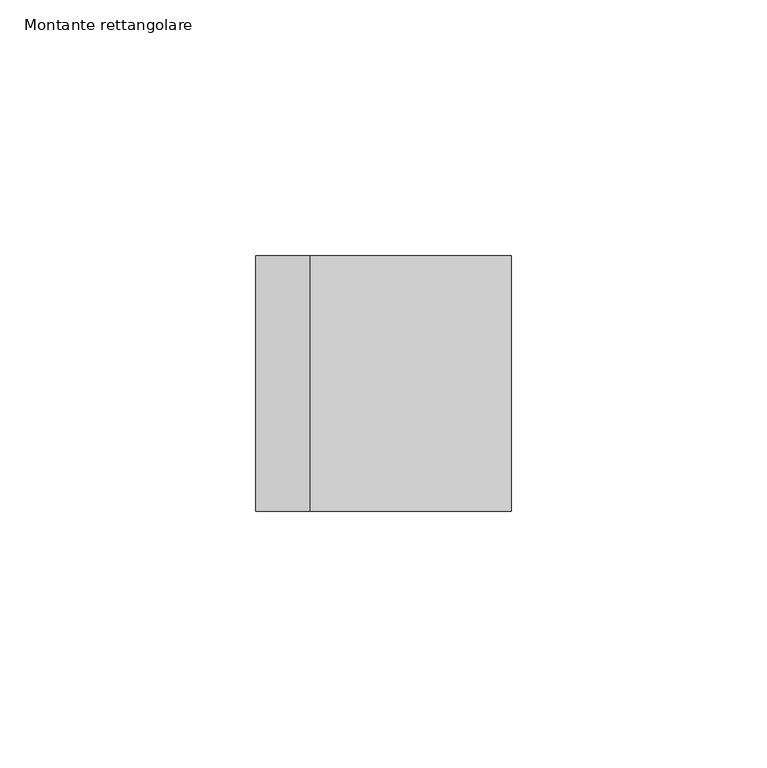
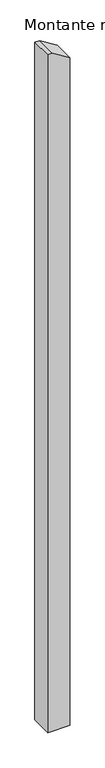
"""IFC4 building model written with IfcOpenShell, lengths in millimetres: member geometry, Montante rettangolare."""

import ifcopenshell
import ifcopenshell.guid

model = None  # the IFC model being written
_history = None  # IfcOwnerHistory: only IFC2X3 demands one
_inside = {}  # id of a spatial element -> (the spatial element, [elements in it])
_under = {}  # id of a project, library or spatial element -> (it, [spatial elements below it])
_declared = {}  # id of a project -> (the project, [libraries it declares])
_typed = {}  # id of a type object -> (the type object, [elements of that type])
_made_of = {}  # id of a material, layer set ... -> (it, [elements and type objects made of it])


def new_model(schema):
    """Start an empty IFC model of exactly this schema.

    Asked for "IFC4X3", IfcOpenShell would pick the latest addendum, in which some entities
    have other attributes; the version numbers below select the first issue.
    IFC2X3 requires an IfcOwnerHistory on every rooted entity: one is made here for all.
    """
    global model, _history
    if schema == "IFC4X3":
        model = ifcopenshell.file(schema_version=(4, 3, 0, 0))
    else:
        model = ifcopenshell.file(schema=schema)
    _inside.clear()
    _under.clear()
    _declared.clear()
    _typed.clear()
    _made_of.clear()
    _history = None
    if model.schema == "IFC2X3":
        org = make("IfcOrganization", Name="unknown")
        user = make(
            "IfcPersonAndOrganization",
            ThePerson=make("IfcPerson", FamilyName="unknown"),
            TheOrganization=org,
        )
        app = make(
            "IfcApplication",
            ApplicationDeveloper=org,
            Version="unknown",
            ApplicationFullName="unknown",
            ApplicationIdentifier="unknown",
        )
        _history = make(
            "IfcOwnerHistory",
            OwningUser=user,
            OwningApplication=app,
            ChangeAction="ADDED",
            CreationDate=0,
        )
    return model


def make(cls, **values):
    """One entity of the class cls with the attributes given. An attribute that is None is left unset."""
    return model.create_entity(
        cls, **{name: value for name, value in values.items() if value is not None}
    )


def rooted(cls, **values):
    """An entity with a GlobalId (a new one), such as an element, a storey or a relation."""
    return make(cls, GlobalId=ifcopenshell.guid.new(), OwnerHistory=_history, **values)


def si_unit(unit_type, name, prefix=None):
    """IfcSIUnit, for example si_unit("LENGTHUNIT", "METRE", prefix="MILLI")."""
    return make("IfcSIUnit", UnitType=unit_type, Prefix=prefix, Name=name)


def assignment(units):
    """IfcUnitAssignment: the units of a project."""
    return None if units is None else make("IfcUnitAssignment", Units=units)


def point(xyz):
    """IfcCartesianPoint."""
    return None if xyz is None else make("IfcCartesianPoint", Coordinates=xyz)


def direction(xyz):
    """IfcDirection."""
    return None if xyz is None else make("IfcDirection", DirectionRatios=xyz)


def frame(location, z_axis=None, x_axis=None):
    """IfcAxis2Placement3D, a coordinate frame: its origin and axes. An axis left out is left unset."""
    return make(
        "IfcAxis2Placement3D",
        Location=point(location),
        Axis=direction(z_axis),
        RefDirection=direction(x_axis),
    )


def origin():
    """The frame at (0, 0, 0) with its axes left unset."""
    return frame((0.0, 0.0, 0.0))


def place(relative_to, where):
    """IfcLocalPlacement: puts the frame where relative to a parent placement (None: the world)."""
    return make(
        "IfcLocalPlacement", PlacementRelTo=relative_to, RelativePlacement=where
    )


def context(
    kind, dimensions, precision=None, world=None, true_north=None, identifier=None
):
    """IfcGeometricRepresentationContext, for example the 3D "Model" context."""
    return make(
        "IfcGeometricRepresentationContext",
        ContextIdentifier=identifier,
        ContextType=kind,
        CoordinateSpaceDimension=dimensions,
        Precision=precision,
        WorldCoordinateSystem=world,
        TrueNorth=true_north,
    )


def project(units=None, contexts=None):
    """IfcProject with its units and contexts."""
    return rooted(
        "IfcProject",
        Name="project",
        RepresentationContexts=contexts,
        UnitsInContext=assignment(units),
    )


def spatial(cls, under=None, at=None, **own):
    """A site, building, storey or space (cls), placed at a placement, below another one or the project."""
    s = rooted(cls, ObjectPlacement=at, **own)
    if under is not None:
        _under.setdefault(under.id(), (under, []))[1].append(s)
    return s


def polyline(points):
    """IfcPolyline through the points."""
    return make("IfcPolyline", Points=[point(p) for p in points])


def outline(outer, holes=None, kind="AREA"):
    """IfcArbitraryClosedProfileDef: a profile drawn as a closed curve; with holes, ...WithVoids."""
    if holes is None:
        return make("IfcArbitraryClosedProfileDef", ProfileType=kind, OuterCurve=outer)
    return make(
        "IfcArbitraryProfileDefWithVoids",
        ProfileType=kind,
        OuterCurve=outer,
        InnerCurves=holes,
    )


def extrude(swept, where, along, depth):
    """IfcExtrudedAreaSolid: the profile swept, set in the frame where, extruded along a direction by depth."""
    return make(
        "IfcExtrudedAreaSolid",
        SweptArea=swept,
        Position=where,
        ExtrudedDirection=direction(along),
        Depth=depth,
    )


def shape(context_of_items, identifier, shape_type, items):
    """IfcShapeRepresentation: the items that make up one representation, for example the "Body"."""
    return make(
        "IfcShapeRepresentation",
        ContextOfItems=context_of_items,
        RepresentationIdentifier=identifier,
        RepresentationType=shape_type,
        Items=items,
    )


def source(mapping_origin, context_of_items, identifier, shape_type, items):
    """IfcRepresentationMap: a shape defined once, which mapped items show again and again."""
    return make(
        "IfcRepresentationMap",
        MappingOrigin=mapping_origin,
        MappedRepresentation=shape(context_of_items, identifier, shape_type, items),
    )


def transform(
    local_origin,
    x_axis=None,
    y_axis=None,
    z_axis=None,
    scale=None,
    scale2=None,
    scale3=None,
    uniform=True,
):
    """IfcCartesianTransformationOperator3D, or its non-uniform kind. x_axis, y_axis, z_axis: its Axis1, 2, 3."""
    if uniform:
        return make(
            "IfcCartesianTransformationOperator3D",
            Axis1=direction(x_axis),
            Axis2=direction(y_axis),
            LocalOrigin=point(local_origin),
            Scale=scale,
            Axis3=direction(z_axis),
        )
    return make(
        "IfcCartesianTransformationOperator3DnonUniform",
        Axis1=direction(x_axis),
        Axis2=direction(y_axis),
        LocalOrigin=point(local_origin),
        Scale=scale,
        Axis3=direction(z_axis),
        Scale2=scale2,
        Scale3=scale3,
    )


def mapped(mapping_source, mapping_target):
    """IfcMappedItem: shows the shape of a source again, moved by a transform."""
    return make(
        "IfcMappedItem", MappingSource=mapping_source, MappingTarget=mapping_target
    )


def made_of(thing, what):
    """Note that an element or type object is made of a material, layer set ...; save() writes the relation."""
    if what is not None:
        _made_of.setdefault(what.id(), (what, []))[1].append(thing)
    return thing


def element(
    cls,
    number,
    at=None,
    inside=None,
    cuts=None,
    type_object=None,
    material=None,
    context=None,
    identifier="Body",
    shape_type=None,
    held_by="IfcProductDefinitionShape",
    body=None,
    shapes=None,
    **own,
):
    """One element of the class cls, such as IfcWall. Its Tag is "e" and its number.

    at: its placement. inside: the storey or other place that contains it. cuts: it is an
    opening in that element (IfcRelVoidsElement). A single representation is given by context,
    identifier, shape_type and body (its items); several are given by shapes. held_by: the class
    of the entity that holds the representations. save() writes the other relations.
    """
    e = rooted(cls, Tag="e%d" % number, ObjectPlacement=at, **own)
    if body is not None:
        shapes = [shape(context, identifier, shape_type, body)]
    if shapes is not None:
        e.Representation = make(held_by, Representations=shapes)
    if inside is not None:
        _inside.setdefault(inside.id(), (inside, []))[1].append(e)
    if cuts is not None:
        rooted(
            "IfcRelVoidsElement", RelatingBuildingElement=cuts, RelatedOpeningElement=e
        )
    if type_object is not None:
        _typed.setdefault(type_object.id(), (type_object, []))[1].append(e)
    return made_of(e, material)


def aggregate(whole, parts):
    """IfcRelAggregates: a whole, such as a stair, and the parts it consists of."""
    return rooted("IfcRelAggregates", RelatingObject=whole, RelatedObjects=parts)


def save(model, path):
    """Write the relations noted so far, then the file.

    IfcRelAggregates (storeys below a building ...), IfcRelContainedInSpatialStructure (elements
    in a storey), IfcRelDefinesByType, IfcRelAssociatesMaterial and IfcRelDeclares: one each for
    every whole, place, type object, material and project.
    """
    for whole, parts in _under.values():
        aggregate(whole, parts)
    for where, things in _inside.values():
        rooted(
            "IfcRelContainedInSpatialStructure",
            RelatedElements=things,
            RelatingStructure=where,
        )
    for kind, things in _typed.values():
        rooted("IfcRelDefinesByType", RelatedObjects=things, RelatingType=kind)
    for what, things in _made_of.values():
        rooted("IfcRelAssociatesMaterial", RelatedObjects=things, RelatingMaterial=what)
    for by, libraries in _declared.values():
        rooted("IfcRelDeclares", RelatingContext=by, RelatedDefinitions=libraries)
    model.write(path)


def montante_rettangolare_4bbb7ac9(model_context):
    return source(origin(), model_context, "Body", "SweptSolid", [
        extrude(outline(polyline([(-74.3925256, 25.0), (-50.0, -14.2660169), (-50.0, -25.0), (-1670.0, -25.0), (-1670.0, 25.0), (-74.3925256, 25.0)])), frame((0.0, -25.0, 0.0), z_axis=(0.0, 1.0, 0.0), x_axis=(0.0, 0.0, 1.0)), (0.0, 0.0, 1.0), 50.0),
    ])


if __name__ == "__main__":
    model = new_model("IFC4")
    model_context = context("Model", 3, world=origin())
    ifc_project = project(units=[si_unit("LENGTHUNIT", "METRE", prefix="MILLI")], contexts=[model_context])
    site = spatial("IfcSite", under=ifc_project)
    building = spatial("IfcBuilding", under=site)
    placement = place(None, origin())
    montante_rettangolare_shape = montante_rettangolare_4bbb7ac9(model_context)
    element("IfcMember", 1, ObjectType="Montante rettangolare", at=placement, inside=building, context=model_context, shape_type="MappedRepresentation", body=[
        mapped(montante_rettangolare_shape, transform((0.0, 0.0, 0.0), x_axis=(1.0, 0.0, 0.0), y_axis=(0.0, 1.0, 0.0), z_axis=(0.0, 0.0, 1.0))),
    ])
    save(model, "model.ifc")
